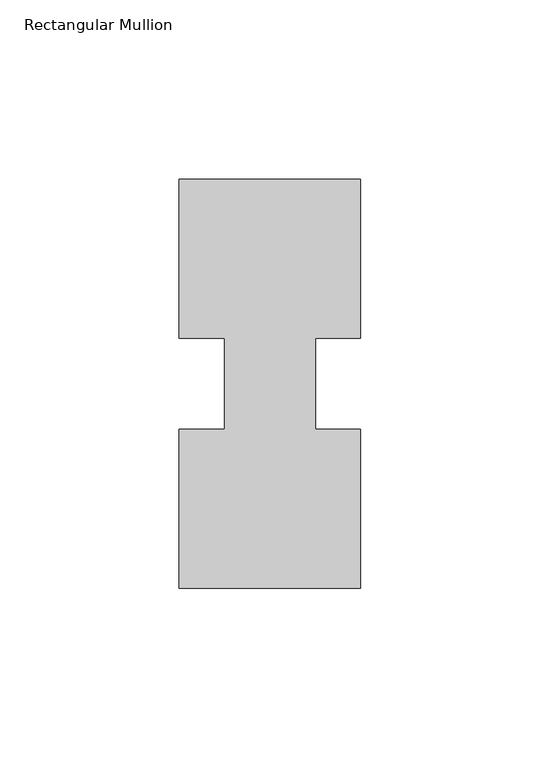
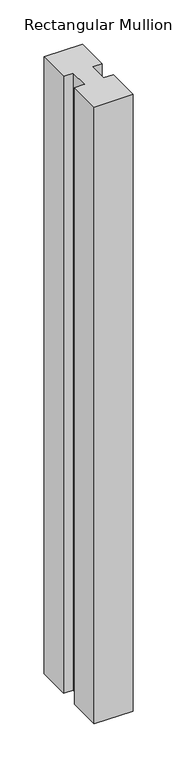
"""IFC4 building model written with IfcOpenShell, lengths in millimetres: member geometry, Rectangular Mullion."""

from ifc_helpers import new_model, si_unit, frame, origin, place, context, project, spatial, polyline, outline, extrude, source, transform, mapped, element, save


def rectangular_mullion_a3f3f786(model_context):
    return source(origin(), model_context, "Body", "SweptSolid", [
        extrude(outline(polyline([(29.7344027, 57.15), (29.7344027, 12.7), (17.0326322, 12.7), (17.0326322, -12.7), (29.7344027, -12.7), (29.7344027, -57.15), (-21.0655973, -57.15), (-21.0655973, -12.7), (-8.3655973, -12.7), (-8.3655973, 12.7), (-21.0655973, 12.7), (-21.0655973, 57.15), (29.7344027, 57.15)])), frame((0.0, 0.0, -854.075), z_axis=(0.0, 0.0, 1.0), x_axis=(1.0, 0.0, 0.0)), (0.0, 0.0, 1.0), 854.075),
    ])


if __name__ == "__main__":
    model = new_model("IFC4")
    model_context = context("Model", 3, world=origin())
    ifc_project = project(units=[si_unit("LENGTHUNIT", "METRE", prefix="MILLI")], contexts=[model_context])
    site = spatial("IfcSite", under=ifc_project)
    building = spatial("IfcBuilding", under=site)
    placement = place(None, origin())
    rectangular_mullion_shape = rectangular_mullion_a3f3f786(model_context)
    element("IfcMember", 1, ObjectType="Rectangular Mullion", at=placement, inside=building, context=model_context, shape_type="MappedRepresentation", body=[
        mapped(rectangular_mullion_shape, transform((0.0, 0.0, 0.0), x_axis=(1.0, 0.0, 0.0), y_axis=(0.0, 1.0, 0.0), z_axis=(0.0, 0.0, 1.0))),
    ])
    save(model, "model.ifc")
